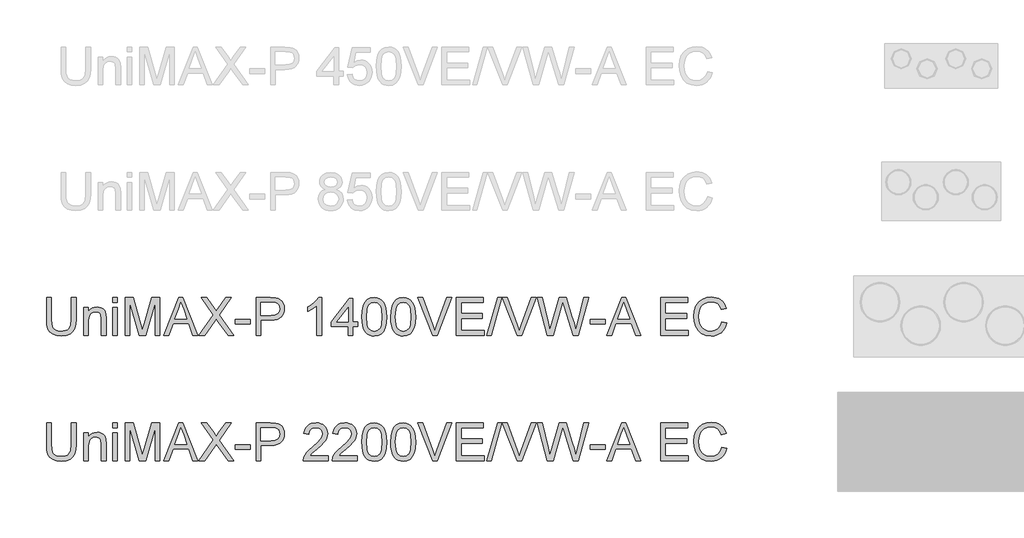
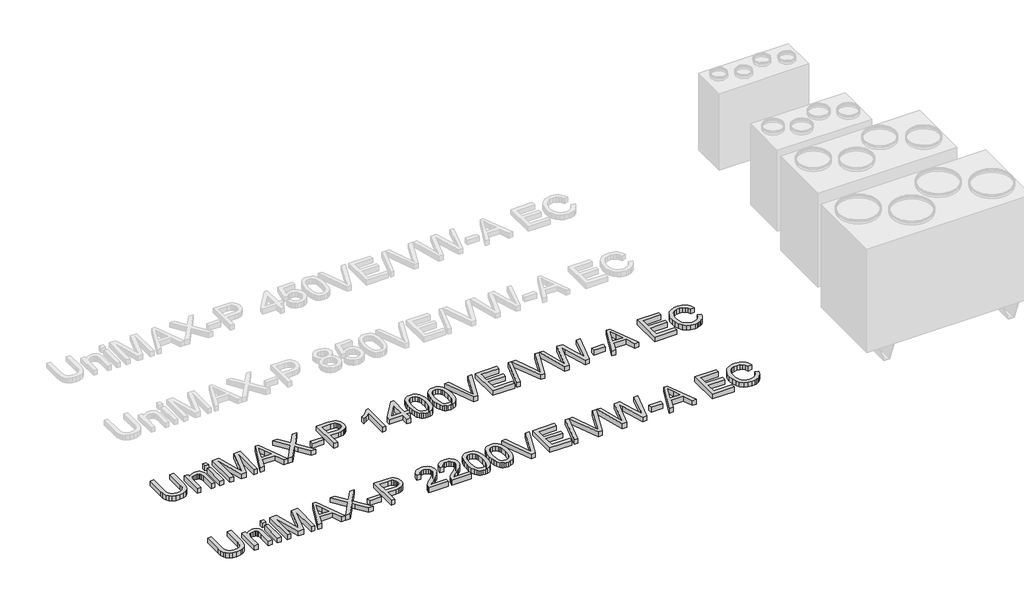
# One storey, part 2 of 74: 2 proxies.
"""IFC4 building model written with IfcOpenShell, lengths in millimetres."""

import ifcopenshell
import ifcopenshell.guid

model = None  # the IFC model being written
_history = None  # IfcOwnerHistory: only IFC2X3 demands one
_inside = {}  # id of a spatial element -> (the spatial element, [elements in it])
_under = {}  # id of a project, library or spatial element -> (it, [spatial elements below it])
_declared = {}  # id of a project -> (the project, [libraries it declares])
_typed = {}  # id of a type object -> (the type object, [elements of that type])
_made_of = {}  # id of a material, layer set ... -> (it, [elements and type objects made of it])


def new_model(schema):
    """Start an empty IFC model of exactly this schema.

    Asked for "IFC4X3", IfcOpenShell would pick the latest addendum, in which some entities
    have other attributes; the version numbers below select the first issue.
    IFC2X3 requires an IfcOwnerHistory on every rooted entity: one is made here for all.
    """
    global model, _history
    if schema == "IFC4X3":
        model = ifcopenshell.file(schema_version=(4, 3, 0, 0))
    else:
        model = ifcopenshell.file(schema=schema)
    _inside.clear()
    _under.clear()
    _declared.clear()
    _typed.clear()
    _made_of.clear()
    _history = None
    if model.schema == "IFC2X3":
        org = make("IfcOrganization", Name="unknown")
        user = make(
            "IfcPersonAndOrganization",
            ThePerson=make("IfcPerson", FamilyName="unknown"),
            TheOrganization=org,
        )
        app = make(
            "IfcApplication",
            ApplicationDeveloper=org,
            Version="unknown",
            ApplicationFullName="unknown",
            ApplicationIdentifier="unknown",
        )
        _history = make(
            "IfcOwnerHistory",
            OwningUser=user,
            OwningApplication=app,
            ChangeAction="ADDED",
            CreationDate=0,
        )
    return model


def make(cls, **values):
    """One entity of the class cls with the attributes given. An attribute that is None is left unset."""
    return model.create_entity(
        cls, **{name: value for name, value in values.items() if value is not None}
    )


def rooted(cls, **values):
    """An entity with a GlobalId (a new one), such as an element, a storey or a relation."""
    return make(cls, GlobalId=ifcopenshell.guid.new(), OwnerHistory=_history, **values)


def si_unit(unit_type, name, prefix=None):
    """IfcSIUnit, for example si_unit("LENGTHUNIT", "METRE", prefix="MILLI")."""
    return make("IfcSIUnit", UnitType=unit_type, Prefix=prefix, Name=name)


def assignment(units):
    """IfcUnitAssignment: the units of a project."""
    return None if units is None else make("IfcUnitAssignment", Units=units)


def point(xyz):
    """IfcCartesianPoint."""
    return None if xyz is None else make("IfcCartesianPoint", Coordinates=xyz)


def direction(xyz):
    """IfcDirection."""
    return None if xyz is None else make("IfcDirection", DirectionRatios=xyz)


def frame(location, z_axis=None, x_axis=None):
    """IfcAxis2Placement3D, a coordinate frame: its origin and axes. An axis left out is left unset."""
    return make(
        "IfcAxis2Placement3D",
        Location=point(location),
        Axis=direction(z_axis),
        RefDirection=direction(x_axis),
    )


def origin():
    """The frame at (0, 0, 0) with its axes left unset."""
    return frame((0.0, 0.0, 0.0))


def origin_with_axes():
    """The frame at (0, 0, 0) with the z axis (0, 0, 1) and the x axis (1, 0, 0) written out."""
    return frame((0.0, 0.0, 0.0), z_axis=(0.0, 0.0, 1.0), x_axis=(1.0, 0.0, 0.0))


def place(relative_to, where):
    """IfcLocalPlacement: puts the frame where relative to a parent placement (None: the world)."""
    return make(
        "IfcLocalPlacement", PlacementRelTo=relative_to, RelativePlacement=where
    )


def context(
    kind, dimensions, precision=None, world=None, true_north=None, identifier=None
):
    """IfcGeometricRepresentationContext, for example the 3D "Model" context."""
    return make(
        "IfcGeometricRepresentationContext",
        ContextIdentifier=identifier,
        ContextType=kind,
        CoordinateSpaceDimension=dimensions,
        Precision=precision,
        WorldCoordinateSystem=world,
        TrueNorth=true_north,
    )


def project(units=None, contexts=None):
    """IfcProject with its units and contexts."""
    return rooted(
        "IfcProject",
        Name="project",
        RepresentationContexts=contexts,
        UnitsInContext=assignment(units),
    )


def spatial(cls, under=None, at=None, **own):
    """A site, building, storey or space (cls), placed at a placement, below another one or the project."""
    s = rooted(cls, ObjectPlacement=at, **own)
    if under is not None:
        _under.setdefault(under.id(), (under, []))[1].append(s)
    return s


def polyline(points):
    """IfcPolyline through the points."""
    return make("IfcPolyline", Points=[point(p) for p in points])


def outline(outer, holes=None, kind="AREA"):
    """IfcArbitraryClosedProfileDef: a profile drawn as a closed curve; with holes, ...WithVoids."""
    if holes is None:
        return make("IfcArbitraryClosedProfileDef", ProfileType=kind, OuterCurve=outer)
    return make(
        "IfcArbitraryProfileDefWithVoids",
        ProfileType=kind,
        OuterCurve=outer,
        InnerCurves=holes,
    )


def extrude(swept, where, along, depth):
    """IfcExtrudedAreaSolid: the profile swept, set in the frame where, extruded along a direction by depth."""
    return make(
        "IfcExtrudedAreaSolid",
        SweptArea=swept,
        Position=where,
        ExtrudedDirection=direction(along),
        Depth=depth,
    )


def shape(context_of_items, identifier, shape_type, items):
    """IfcShapeRepresentation: the items that make up one representation, for example the "Body"."""
    return make(
        "IfcShapeRepresentation",
        ContextOfItems=context_of_items,
        RepresentationIdentifier=identifier,
        RepresentationType=shape_type,
        Items=items,
    )


def made_of(thing, what):
    """Note that an element or type object is made of a material, layer set ...; save() writes the relation."""
    if what is not None:
        _made_of.setdefault(what.id(), (what, []))[1].append(thing)
    return thing


def element(
    cls,
    number,
    at=None,
    inside=None,
    cuts=None,
    type_object=None,
    material=None,
    context=None,
    identifier="Body",
    shape_type=None,
    held_by="IfcProductDefinitionShape",
    body=None,
    shapes=None,
    **own,
):
    """One element of the class cls, such as IfcWall. Its Tag is "e" and its number.

    at: its placement. inside: the storey or other place that contains it. cuts: it is an
    opening in that element (IfcRelVoidsElement). A single representation is given by context,
    identifier, shape_type and body (its items); several are given by shapes. held_by: the class
    of the entity that holds the representations. save() writes the other relations.
    """
    e = rooted(cls, Tag="e%d" % number, ObjectPlacement=at, **own)
    if body is not None:
        shapes = [shape(context, identifier, shape_type, body)]
    if shapes is not None:
        e.Representation = make(held_by, Representations=shapes)
    if inside is not None:
        _inside.setdefault(inside.id(), (inside, []))[1].append(e)
    if cuts is not None:
        rooted(
            "IfcRelVoidsElement", RelatingBuildingElement=cuts, RelatedOpeningElement=e
        )
    if type_object is not None:
        _typed.setdefault(type_object.id(), (type_object, []))[1].append(e)
    return made_of(e, material)


def aggregate(whole, parts):
    """IfcRelAggregates: a whole, such as a stair, and the parts it consists of."""
    return rooted("IfcRelAggregates", RelatingObject=whole, RelatedObjects=parts)


def save(model, path):
    """Write the relations noted so far, then the file.

    IfcRelAggregates (storeys below a building ...), IfcRelContainedInSpatialStructure (elements
    in a storey), IfcRelDefinesByType, IfcRelAssociatesMaterial and IfcRelDeclares: one each for
    every whole, place, type object, material and project.
    """
    for whole, parts in _under.values():
        aggregate(whole, parts)
    for where, things in _inside.values():
        rooted(
            "IfcRelContainedInSpatialStructure",
            RelatedElements=things,
            RelatingStructure=where,
        )
    for kind, things in _typed.values():
        rooted("IfcRelDefinesByType", RelatedObjects=things, RelatingType=kind)
    for what, things in _made_of.values():
        rooted("IfcRelAssociatesMaterial", RelatedObjects=things, RelatingMaterial=what)
    for by, libraries in _declared.values():
        rooted("IfcRelDeclares", RelatingContext=by, RelatedDefinitions=libraries)
    model.write(path)


model = new_model("IFC4")

# Units and contexts
model_context = context("Model", 3, world=origin())
ifc_project = project(units=[si_unit("LENGTHUNIT", "METRE", prefix="MILLI")], contexts=[model_context])

# Site, building, storey
site = spatial("IfcSite", under=ifc_project)
building = spatial("IfcBuilding", under=site)
storey = spatial("IfcBuildingStorey", under=building, Elevation=0.0)

# Proxies
placement = place(None, origin())
element("IfcBuildingElementProxy", 1, Name="Generic Models", at=placement, inside=storey, context=model_context, shape_type="SweptSolid", body=[
    extrude(outline(polyline([(11540.524986, -37731.9528304), (11578.1961023, -37731.9528304), (11578.1961023, -37905.8138613), (11575.6393225, -37946.5292011), (11567.9689829, -37977.8819441), (11553.6399791, -38002.0701853), (11531.1072069, -38021.2920196), (11500.3154839, -38033.8459926), (11461.2096279, -38038.0306503), (11422.9590974, -38034.3886186), (11392.3789066, -38023.4625233), (11369.4598583, -38005.6294436), (11354.1927555, -37981.2664585), (11345.6119079, -37948.5893403), (11342.7516254, -37905.8138613), (11342.7516254, -37731.9528304), (11380.4227417, -37731.9528304), (11380.4227417, -37904.4894861), (11382.2805458, -37938.3438267), (11387.853958, -37961.9158655), (11397.9523188, -37978.2406291), (11413.3849685, -37990.3531438), (11433.5081136, -37997.8579365), (11457.6779607, -38000.359534), (11495.9928705, -37995.4115212), (11510.3356698, -37989.2265052), (11521.4686987, -37980.5674827), (11529.8058244, -37968.3905887), (11535.7609142, -37951.6519579), (11540.524986, -37904.4894861), (11540.524986, -37731.9528304)])), origin_with_axes(), (0.0, 0.0, 1.0), 50.0),
    extrude(outline(polyline([(11639.4116663, -38033.3217608), (11639.4116663, -37812.0039525), (11677.0827826, -37812.0039525), (11677.0827826, -37842.9060401), (11690.1701846, -37827.3262376), (11705.8879428, -37816.1978072), (11724.2360574, -37809.520749), (11745.2145281, -37807.295063), (11763.7833718, -37809.0884877), (11780.7887171, -37814.4687619), (11794.970568, -37822.7645009), (11805.0689287, -37833.30432), (11816.362906, -37861.0058343), (11818.3494688, -37897.4261518), (11818.3494688, -38033.3217608), (11780.6783525, -38033.3217608), (11780.6783525, -37902.5029233), (11776.3373449, -37869.1728146), (11770.3316713, -37859.2491977), (11760.9966657, -37851.551267), (11749.0313038, -37846.6124512), (11735.1345615, -37844.9661793), (11713.0708388, -37848.6633933), (11694.2628718, -37859.7550355), (11686.7465828, -37868.8095311), (11681.3778049, -37881.1841617), (11677.0827826, -37915.8938279), (11677.0827826, -38033.3217608), (11639.4116663, -38033.3217608)])), origin_with_axes(), (0.0, 0.0, 1.0), 50.0),
    extrude(outline(polyline([(11870.1472537, -38033.3217608), (11870.1472537, -37812.0039525), (11907.81837, -37812.0039525), (11907.81837, -38033.3217608), (11870.1472537, -38033.3217608)])), origin_with_axes(), (0.0, 0.0, 1.0), 50.0),
    extrude(outline(polyline([(11870.1472537, -37769.6239467), (11870.1472537, -37731.9528304), (11907.81837, -37731.9528304), (11907.81837, -37769.6239467), (11870.1472537, -37769.6239467)])), origin_with_axes(), (0.0, 0.0, 1.0), 50.0),
    extrude(outline(polyline([(11969.033934, -38033.3217608), (11969.033934, -37731.9528304), (12033.8547415, -37731.9528304), (12095.5117639, -37944.3678944), (12107.9461754, -37988.734463), (12121.4106564, -37940.6890744), (12182.0376092, -37731.9528304), (12246.8584168, -37731.9528304), (12246.8584168, -38033.3217608), (12209.1873004, -38033.3217608), (12209.1873004, -37769.6239467), (12133.4771858, -38033.3217608), (12082.4151649, -38033.3217608), (12006.7050503, -37769.6239467), (12006.7050503, -38033.3217608), (11969.033934, -38033.3217608)])), origin_with_axes(), (0.0, 0.0, 1.0), 50.0),
    extrude(outline(polyline([(12277.6869279, -38033.3217608), (12397.9843404, -37731.9528304), (12430.0636503, -37731.9528304), (12550.3610628, -38033.3217608), (12510.5562309, -38033.3217608), (12476.0488997, -37939.14397), (12351.9255146, -37939.14397), (12317.4917598, -38033.3217608), (12277.6869279, -38033.3217608)]), holes=[polyline([(12365.7578776, -37901.4728537), (12462.2901131, -37901.4728537), (12435.1404219, -37827.3814199), (12414.0239954, -37769.6239467), (12395.2620136, -37820.9066968), (12365.7578776, -37901.4728537)])]), origin_with_axes(), (0.0, 0.0, 1.0), 50.0),
    extrude(outline(polyline([(12557.6451263, -38033.3217608), (12673.8222604, -37869.0992382), (12576.4806844, -37731.9528304), (12621.6565934, -37731.9528304), (12676.4710107, -37809.1344729), (12694.9386869, -37839.2272201), (12716.5701482, -37808.6194381), (12770.7959543, -37731.9528304), (12816.6340509, -37731.9528304), (12719.292475, -37869.5406965), (12835.469609, -38033.3217608), (12790.2937, -38033.3217608), (12712.8913282, -37924.1343846), (12696.7780969, -37901.4728537), (12679.0461847, -37926.3416766), (12603.4832229, -38033.3217608), (12557.6451263, -38033.3217608)])), origin_with_axes(), (0.0, 0.0, 1.0), 50.0),
    extrude(outline(polyline([(12849.5962776, -37943.8528596), (12849.5962776, -37906.1817433), (12967.3185161, -37906.1817433), (12967.3185161, -37943.8528596), (12849.5962776, -37943.8528596)])), origin_with_axes(), (0.0, 0.0, 1.0), 50.0),
    extrude(outline(polyline([(13014.4074115, -38033.3217608), (13014.4074115, -37731.9528304), (13126.0963852, -37731.9528304), (13171.1251414, -37734.8223099), (13191.2023013, -37740.18419), (13207.7294, -37748.9121903), (13221.0375311, -37761.4017841), (13231.4577886, -37778.0484443), (13238.1900292, -37797.6841458), (13240.4341093, -37819.1408632), (13238.9188954, -37837.640729), (13234.3732535, -37854.6598698), (13226.7971836, -37870.1982856), (13216.1906858, -37884.2559764), (13201.6294566, -37895.9086386), (13182.1891924, -37904.2319687), (13157.8698933, -37909.2259668), (13128.6715592, -37910.8906328), (13052.0785278, -37910.8906328), (13052.0785278, -38033.3217608), (13014.4074115, -38033.3217608)]), holes=[polyline([(13052.0785278, -37873.2195165), (13130.8788512, -37873.2195165), (13164.2825363, -37869.7614257), (13186.355456, -37859.3871535), (13198.6611088, -37842.7404932), (13202.762993, -37820.4652384), (13200.3441689, -37803.5426666), (13193.0876965, -37789.2688452), (13181.8948868, -37778.5266909), (13167.6670507, -37772.1991206), (13129.9959344, -37769.6239467), (13052.0785278, -37769.6239467), (13052.0785278, -37873.2195165)])]), origin_with_axes(), (0.0, 0.0, 1.0), 50.0),
    extrude(outline(polyline([(13537.0941502, -38033.3217608), (13499.4230339, -38033.3217608), (13499.4230339, -37798.4658951), (13463.7384804, -37823.8865409), (13424.0808013, -37842.9060401), (13424.0808013, -37807.295063), (13453.6677108, -37791.2002257), (13479.2998888, -37772.0519678), (13499.5058074, -37751.6896994), (13512.8139386, -37731.9528304), (13537.0941502, -37731.9528304), (13537.0941502, -38033.3217608)])), origin_with_axes(), (0.0, 0.0, 1.0), 50.0),
    extrude(outline(polyline([(13748.9941795, -38033.3217608), (13748.9941795, -37962.6884177), (13612.4363828, -37962.6884177), (13612.4363828, -37925.0173014), (13758.4119585, -37736.6617199), (13786.6652958, -37736.6617199), (13786.6652958, -37925.0173014), (13824.3364121, -37925.0173014), (13824.3364121, -37962.6884177), (13786.6652958, -37962.6884177), (13786.6652958, -38033.3217608), (13748.9941795, -38033.3217608)]), holes=[polyline([(13748.9941795, -37925.0173014), (13748.9941795, -37808.6194381), (13658.7895142, -37925.0173014), (13748.9941795, -37925.0173014)])]), origin_with_axes(), (0.0, 0.0, 1.0), 50.0),
    extrude(outline(polyline([(13857.2986388, -37885.0653167), (13860.0669509, -37836.8267901), (13868.3718869, -37798.3555305), (13882.1306735, -37769.0629266), (13901.2605373, -37748.3603673), (13925.8994339, -37736.0547146), (13956.1853191, -37731.9528304), (13979.398673, -37734.3808515), (14000.1840058, -37741.664915), (14017.56643, -37753.5199123), (14030.5710586, -37769.6607349), (14040.3935078, -37789.9494269), (14048.2293943, -37814.2480327), (14053.3613482, -37845.104135), (14055.0719994, -37885.0653167), (14052.3312786, -37933.0279319), (14044.109116, -37971.407221), (14030.4331028, -38000.727416), (14011.3308302, -38021.5127488), (13986.6367513, -38033.9011749), (13956.1853191, -38038.0306503), (13935.4367746, -38036.2372256), (13917.0426749, -38030.8569514), (13901.0030199, -38021.8898278), (13887.3178096, -38009.3358547), (13874.1844224, -37986.6421341), (13864.8034315, -37958.3658043), (13859.174837, -37924.5068652), (13857.2986388, -37885.0653167)]), holes=[polyline([(13894.9697551, -37884.9917403), (13899.3843391, -37944.2483327), (13904.902569, -37964.5163314), (13912.6280909, -37978.5441317), (13932.3465659, -37994.9056835), (13956.1853191, -38000.359534), (13980.0240724, -37994.8872894), (13999.7425474, -37978.4705553), (14007.4680693, -37964.4197624), (14012.9862992, -37944.1563622), (14017.4008831, -37884.9917403), (14013.133452, -37827.0687202), (14007.7991631, -37806.8674001), (14000.3311586, -37792.5062068), (13980.6494718, -37775.3445117), (13955.7438607, -37769.6239467), (13932.1626249, -37774.66393), (13913.2167021, -37789.78388), (13905.2336628, -37805.4188648), (13899.5314919, -37826.4985031), (13894.9697551, -37884.9917403)])]), origin_with_axes(), (0.0, 0.0, 1.0), 50.0),
    extrude(outline(polyline([(14088.0342262, -37885.0653167), (14090.8025382, -37836.8267901), (14099.1074743, -37798.3555305), (14112.8662609, -37769.0629266), (14131.9961246, -37748.3603673), (14156.6350213, -37736.0547146), (14186.9209065, -37731.9528304), (14210.1342604, -37734.3808515), (14230.9195931, -37741.664915), (14248.3020174, -37753.5199123), (14261.3066459, -37769.6607349), (14271.1290952, -37789.9494269), (14278.9649817, -37814.2480327), (14284.0969355, -37845.104135), (14285.8075868, -37885.0653167), (14283.066866, -37933.0279319), (14274.8447034, -37971.407221), (14261.1686902, -38000.727416), (14242.0664176, -38021.5127488), (14217.3723387, -38033.9011749), (14186.9209065, -38038.0306503), (14166.172362, -38036.2372256), (14147.7782622, -38030.8569514), (14131.7386072, -38021.8898278), (14118.053397, -38009.3358547), (14104.9200098, -37986.6421341), (14095.5390189, -37958.3658043), (14089.9104244, -37924.5068652), (14088.0342262, -37885.0653167)]), holes=[polyline([(14125.7053425, -37884.9917403), (14130.1199265, -37944.2483327), (14135.6381564, -37964.5163314), (14143.3636783, -37978.5441317), (14163.0821532, -37994.9056835), (14186.9209065, -38000.359534), (14210.7596598, -37994.8872894), (14230.4781347, -37978.4705553), (14238.2036566, -37964.4197624), (14243.7218866, -37944.1563622), (14248.1364705, -37884.9917403), (14243.8690394, -37827.0687202), (14238.5347504, -37806.8674001), (14231.0667459, -37792.5062068), (14211.3850592, -37775.3445117), (14186.4794481, -37769.6239467), (14162.8982122, -37774.66393), (14143.9522895, -37789.78388), (14135.9692502, -37805.4188648), (14130.2670793, -37826.4985031), (14125.7053425, -37884.9917403)])]), origin_with_axes(), (0.0, 0.0, 1.0), 50.0),
    extrude(outline(polyline([(14421.923925, -38033.3217608), (14301.9943946, -37731.9528304), (14342.3142613, -37731.9528304), (14422.5861126, -37949.0767839), (14438.8464968, -37998.0050893), (14454.8861518, -37949.0767839), (14535.3787323, -37731.9528304), (14575.698599, -37731.9528304), (14460.8458401, -38033.3217608), (14421.923925, -38033.3217608)])), origin_with_axes(), (0.0, 0.0, 1.0), 50.0),
    extrude(outline(polyline([(14610.720965, -38033.3217608), (14610.720965, -37731.9528304), (14827.3298837, -37731.9528304), (14827.3298837, -37769.6239467), (14648.3920813, -37769.6239467), (14648.3920813, -37859.0928479), (14817.9121046, -37859.0928479), (14817.9121046, -37896.7639642), (14648.3920813, -37896.7639642), (14648.3920813, -37995.6506445), (14832.0387733, -37995.6506445), (14832.0387733, -38033.3217608), (14610.720965, -38033.3217608)])), origin_with_axes(), (0.0, 0.0, 1.0), 50.0),
    extrude(outline(polyline([(14855.5832209, -38033.3217608), (14940.3432326, -37731.9528304), (14974.335529, -37731.9528304), (14889.5755173, -38033.3217608), (14855.5832209, -38033.3217608)])), origin_with_axes(), (0.0, 0.0, 1.0), 50.0),
    extrude(outline(polyline([(15095.295129, -38033.3217608), (14975.3655986, -37731.9528304), (15015.6854652, -37731.9528304), (15095.9573166, -37949.0767839), (15112.2177008, -37998.0050893), (15128.2573558, -37949.0767839), (15208.7499363, -37731.9528304), (15249.069803, -37731.9528304), (15134.2170441, -38033.3217608), (15095.295129, -38033.3217608)])), origin_with_axes(), (0.0, 0.0, 1.0), 50.0),
    extrude(outline(polyline([(15338.0236694, -38033.3217608), (15255.8388317, -37731.9528304), (15294.6871704, -37731.9528304), (15342.364677, -37930.0204966), (15357.0799568, -37991.1624842), (15372.8253062, -37937.0838309), (15432.5693422, -37731.9528304), (15488.5609819, -37731.9528304), (15531.9710573, -37880.6507328), (15550.5674921, -37935.8330321), (15564.2710965, -37991.1624842), (15578.5449179, -37931.7863301), (15626.6638828, -37731.9528304), (15665.5122215, -37731.9528304), (15583.2538074, -38033.3217608), (15543.0075171, -38033.3217608), (15470.7554933, -37800.8203398), (15460.6755266, -37768.3731479), (15449.3447612, -37807.4422158), (15383.493884, -38033.3217608), (15338.0236694, -38033.3217608)])), origin_with_axes(), (0.0, 0.0, 1.0), 50.0),
    extrude(outline(polyline([(15679.6388901, -37943.8528596), (15679.6388901, -37906.1817433), (15797.3611286, -37906.1817433), (15797.3611286, -37943.8528596), (15679.6388901, -37943.8528596)])), origin_with_axes(), (0.0, 0.0, 1.0), 50.0),
    extrude(outline(polyline([(15809.3540816, -38033.3217608), (15929.6514941, -37731.9528304), (15961.730804, -37731.9528304), (16082.0282165, -38033.3217608), (16042.2233846, -38033.3217608), (16007.7160534, -37939.14397), (15883.5926683, -37939.14397), (15849.1589135, -38033.3217608), (15809.3540816, -38033.3217608)]), holes=[polyline([(15897.4250313, -37901.4728537), (15993.9572668, -37901.4728537), (15966.8075756, -37827.3814199), (15945.6911491, -37769.6239467), (15926.9291673, -37820.9066968), (15897.4250313, -37901.4728537)])]), origin_with_axes(), (0.0, 0.0, 1.0), 50.0),
    extrude(outline(polyline([(16239.9967452, -38033.3217608), (16239.9967452, -37731.9528304), (16456.605664, -37731.9528304), (16456.605664, -37769.6239467), (16277.6678615, -37769.6239467), (16277.6678615, -37859.0928479), (16447.1878849, -37859.0928479), (16447.1878849, -37896.7639642), (16277.6678615, -37896.7639642), (16277.6678615, -37995.6506445), (16461.3145535, -37995.6506445), (16461.3145535, -38033.3217608), (16239.9967452, -38033.3217608)])), origin_with_axes(), (0.0, 0.0, 1.0), 50.0),
    extrude(outline(polyline([(16729.7212572, -37926.1945238), (16767.3923735, -37935.9066085), (16759.9381646, -37959.3337938), (16750.0099492, -37979.8041276), (16737.6077274, -37997.3176098), (16722.7314993, -38011.8742405), (16705.716957, -38023.3176698), (16686.8997929, -38031.4915479), (16666.2800071, -38036.3958747), (16643.8575995, -38038.0306503), (16600.1624155, -38033.0826375), (16565.4619463, -38018.238599), (16538.8640781, -37994.0135696), (16519.4766969, -37960.9225842), (16507.6400937, -37922.0190632), (16503.6945593, -37880.3564272), (16508.1551285, -37836.4129229), (16521.5368361, -37798.4658951), (16543.1407063, -37767.7201573), (16572.2677632, -37745.3805232), (16606.8118826, -37731.7780864), (16644.6669399, -37727.2439408), (16685.9708909, -37733.1116586), (16703.9396271, -37740.4463059), (16720.1195371, -37750.7148121), (16734.2439065, -37763.6458642), (16746.0460207, -37778.9681493), (16762.6834839, -37816.7864184), (16725.0123676, -37825.7627391), (16711.9525568, -37798.2911511), (16694.11028, -37779.4463959), (16671.2648081, -37768.5478918), (16643.1954119, -37764.9150571), (16610.8401904, -37768.943365), (16584.2607163, -37781.0282885), (16564.0915859, -37799.9006349), (16550.9673957, -37824.2912111), (16543.7661057, -37851.8639667), (16541.3656756, -37880.2828508), (16544.2075641, -37915.0844876), (16552.7332293, -37945.1772348), (16567.2645681, -37969.4114612), (16588.1234772, -37986.6375356), (16613.1302559, -37996.9290344), (16640.1052032, -38000.359534), (16671.5499167, -37995.6874327), (16697.7523118, -37981.6711287), (16717.5351661, -37958.4577748), (16729.7212572, -37926.1945238)])), origin_with_axes(), (0.0, 0.0, 1.0), 50.0),
])
element("IfcBuildingElementProxy", 2, Name="Generic Models", at=placement, inside=storey, context=model_context, shape_type="SweptSolid", body=[
    extrude(outline(polyline([(11540.524986, -38731.9528304), (11578.1961023, -38731.9528304), (11578.1961023, -38905.8138613), (11575.6393225, -38946.5292011), (11567.9689829, -38977.8819441), (11553.6399791, -39002.0701853), (11531.1072069, -39021.2920196), (11500.3154839, -39033.8459926), (11461.2096279, -39038.0306503), (11422.9590974, -39034.3886186), (11392.3789066, -39023.4625233), (11369.4598583, -39005.6294436), (11354.1927555, -38981.2664585), (11345.6119079, -38948.5893403), (11342.7516254, -38905.8138613), (11342.7516254, -38731.9528304), (11380.4227417, -38731.9528304), (11380.4227417, -38904.4894861), (11382.2805458, -38938.3438267), (11387.853958, -38961.9158655), (11397.9523188, -38978.2406291), (11413.3849685, -38990.3531438), (11433.5081136, -38997.8579365), (11457.6779607, -39000.359534), (11495.9928705, -38995.4115212), (11510.3356698, -38989.2265052), (11521.4686987, -38980.5674827), (11529.8058244, -38968.3905887), (11535.7609142, -38951.6519579), (11540.524986, -38904.4894861), (11540.524986, -38731.9528304)])), origin_with_axes(), (0.0, 0.0, 1.0), 50.0),
    extrude(outline(polyline([(11639.4116663, -39033.3217608), (11639.4116663, -38812.0039525), (11677.0827826, -38812.0039525), (11677.0827826, -38842.9060401), (11690.1701846, -38827.3262376), (11705.8879428, -38816.1978072), (11724.2360574, -38809.520749), (11745.2145281, -38807.295063), (11763.7833718, -38809.0884877), (11780.7887171, -38814.4687619), (11794.970568, -38822.7645009), (11805.0689287, -38833.30432), (11816.362906, -38861.0058343), (11818.3494688, -38897.4261518), (11818.3494688, -39033.3217608), (11780.6783525, -39033.3217608), (11780.6783525, -38902.5029233), (11776.3373449, -38869.1728146), (11770.3316713, -38859.2491977), (11760.9966657, -38851.551267), (11749.0313038, -38846.6124512), (11735.1345615, -38844.9661793), (11713.0708388, -38848.6633933), (11694.2628718, -38859.7550355), (11686.7465828, -38868.8095311), (11681.3778049, -38881.1841617), (11677.0827826, -38915.8938279), (11677.0827826, -39033.3217608), (11639.4116663, -39033.3217608)])), origin_with_axes(), (0.0, 0.0, 1.0), 50.0),
    extrude(outline(polyline([(11870.1472537, -39033.3217608), (11870.1472537, -38812.0039525), (11907.81837, -38812.0039525), (11907.81837, -39033.3217608), (11870.1472537, -39033.3217608)])), origin_with_axes(), (0.0, 0.0, 1.0), 50.0),
    extrude(outline(polyline([(11870.1472537, -38769.6239467), (11870.1472537, -38731.9528304), (11907.81837, -38731.9528304), (11907.81837, -38769.6239467), (11870.1472537, -38769.6239467)])), origin_with_axes(), (0.0, 0.0, 1.0), 50.0),
    extrude(outline(polyline([(11969.033934, -39033.3217608), (11969.033934, -38731.9528304), (12033.8547415, -38731.9528304), (12095.5117639, -38944.3678944), (12107.9461754, -38988.734463), (12121.4106564, -38940.6890744), (12182.0376092, -38731.9528304), (12246.8584168, -38731.9528304), (12246.8584168, -39033.3217608), (12209.1873004, -39033.3217608), (12209.1873004, -38769.6239467), (12133.4771858, -39033.3217608), (12082.4151649, -39033.3217608), (12006.7050503, -38769.6239467), (12006.7050503, -39033.3217608), (11969.033934, -39033.3217608)])), origin_with_axes(), (0.0, 0.0, 1.0), 50.0),
    extrude(outline(polyline([(12277.6869279, -39033.3217608), (12397.9843404, -38731.9528304), (12430.0636503, -38731.9528304), (12550.3610628, -39033.3217608), (12510.5562309, -39033.3217608), (12476.0488997, -38939.14397), (12351.9255146, -38939.14397), (12317.4917598, -39033.3217608), (12277.6869279, -39033.3217608)]), holes=[polyline([(12365.7578776, -38901.4728537), (12462.2901131, -38901.4728537), (12435.1404219, -38827.3814199), (12414.0239954, -38769.6239467), (12395.2620136, -38820.9066968), (12365.7578776, -38901.4728537)])]), origin_with_axes(), (0.0, 0.0, 1.0), 50.0),
    extrude(outline(polyline([(12557.6451263, -39033.3217608), (12673.8222604, -38869.0992382), (12576.4806844, -38731.9528304), (12621.6565934, -38731.9528304), (12676.4710107, -38809.1344729), (12694.9386869, -38839.2272201), (12716.5701482, -38808.6194381), (12770.7959543, -38731.9528304), (12816.6340509, -38731.9528304), (12719.292475, -38869.5406965), (12835.469609, -39033.3217608), (12790.2937, -39033.3217608), (12712.8913282, -38924.1343846), (12696.7780969, -38901.4728537), (12679.0461847, -38926.3416766), (12603.4832229, -39033.3217608), (12557.6451263, -39033.3217608)])), origin_with_axes(), (0.0, 0.0, 1.0), 50.0),
    extrude(outline(polyline([(12849.5962776, -38943.8528596), (12849.5962776, -38906.1817433), (12967.3185161, -38906.1817433), (12967.3185161, -38943.8528596), (12849.5962776, -38943.8528596)])), origin_with_axes(), (0.0, 0.0, 1.0), 50.0),
    extrude(outline(polyline([(13014.4074115, -39033.3217608), (13014.4074115, -38731.9528304), (13126.0963852, -38731.9528304), (13171.1251414, -38734.8223099), (13191.2023013, -38740.18419), (13207.7294, -38748.9121903), (13221.0375311, -38761.4017841), (13231.4577886, -38778.0484443), (13238.1900292, -38797.6841458), (13240.4341093, -38819.1408632), (13238.9188954, -38837.640729), (13234.3732535, -38854.6598698), (13226.7971836, -38870.1982856), (13216.1906858, -38884.2559764), (13201.6294566, -38895.9086386), (13182.1891924, -38904.2319687), (13157.8698933, -38909.2259668), (13128.6715592, -38910.8906328), (13052.0785278, -38910.8906328), (13052.0785278, -39033.3217608), (13014.4074115, -39033.3217608)]), holes=[polyline([(13052.0785278, -38873.2195165), (13130.8788512, -38873.2195165), (13164.2825363, -38869.7614257), (13186.355456, -38859.3871535), (13198.6611088, -38842.7404932), (13202.762993, -38820.4652384), (13200.3441689, -38803.5426666), (13193.0876965, -38789.2688452), (13181.8948868, -38778.5266909), (13167.6670507, -38772.1991206), (13129.9959344, -38769.6239467), (13052.0785278, -38769.6239467), (13052.0785278, -38873.2195165)])]), origin_with_axes(), (0.0, 0.0, 1.0), 50.0),
    extrude(outline(polyline([(13588.8919352, -38995.6506445), (13588.8919352, -39033.3217608), (13391.1185745, -39033.3217608), (13395.1652765, -39007.3492919), (13404.4542969, -38987.0514029), (13418.0475366, -38967.3605191), (13437.7108292, -38946.7499303), (13465.2100084, -38923.6929262), (13505.8609688, -38887.5853084), (13530.2515451, -38860.9322579), (13542.4468333, -38839.3007965), (13546.5119293, -38818.2579464), (13542.6767595, -38799.3947971), (13531.1712501, -38783.7138271), (13513.4853232, -38773.1464168), (13491.1089008, -38769.6239467), (13467.6104384, -38773.0636433), (13449.3542944, -38783.3827333), (13437.5728735, -38799.7718762), (13433.4985804, -38821.4217316), (13395.8274641, -38816.712842), (13404.9601346, -38780.2741304), (13413.5064932, -38765.7381931), (13424.7062007, -38753.6578681), (13438.3017397, -38744.1619141), (13454.0355928, -38737.3790898), (13491.9182412, -38731.9528304), (13512.108065, -38733.4611465), (13530.0768012, -38737.9860951), (13545.8244498, -38745.527676), (13559.3510109, -38756.0858892), (13570.2150261, -38768.8789856), (13577.9750369, -38783.1252159), (13582.6310435, -38798.82458), (13584.1830456, -38815.9770781), (13582.5091825, -38833.9940988), (13577.4875933, -38851.6984198), (13568.575652, -38869.7062434), (13555.2307326, -38888.6337721), (13533.9579562, -38911.2309237), (13501.2624439, -38940.247616), (13457.9259449, -38976.4839925), (13440.9297967, -38995.6506445), (13588.8919352, -38995.6506445)])), origin_with_axes(), (0.0, 0.0, 1.0), 50.0),
    extrude(outline(polyline([(13819.6275225, -38995.6506445), (13819.6275225, -39033.3217608), (13621.8541619, -39033.3217608), (13625.9008639, -39007.3492919), (13635.1898842, -38987.0514029), (13648.783124, -38967.3605191), (13668.4464166, -38946.7499303), (13695.9455958, -38923.6929262), (13736.5965562, -38887.5853084), (13760.9871325, -38860.9322579), (13773.1824206, -38839.3007965), (13777.2475167, -38818.2579464), (13773.4123469, -38799.3947971), (13761.9068375, -38783.7138271), (13744.2209106, -38773.1464168), (13721.8444882, -38769.6239467), (13698.3460258, -38773.0636433), (13680.0898818, -38783.3827333), (13668.3084609, -38799.7718762), (13664.2341678, -38821.4217316), (13626.5630515, -38816.712842), (13635.695722, -38780.2741304), (13644.2420806, -38765.7381931), (13655.4417881, -38753.6578681), (13669.0373271, -38744.1619141), (13684.7711801, -38737.3790898), (13722.6538286, -38731.9528304), (13742.8436524, -38733.4611465), (13760.8123886, -38737.9860951), (13776.5600372, -38745.527676), (13790.0865983, -38756.0858892), (13800.9506135, -38768.8789856), (13808.7106243, -38783.1252159), (13813.3666308, -38798.82458), (13814.918633, -38815.9770781), (13813.2447699, -38833.9940988), (13808.2231807, -38851.6984198), (13799.3112393, -38869.7062434), (13785.96632, -38888.6337721), (13764.6935436, -38911.2309237), (13731.9980313, -38940.247616), (13688.6615322, -38976.4839925), (13671.6653841, -38995.6506445), (13819.6275225, -38995.6506445)])), origin_with_axes(), (0.0, 0.0, 1.0), 50.0),
    extrude(outline(polyline([(13857.2986388, -38885.0653167), (13860.0669509, -38836.8267901), (13868.3718869, -38798.3555305), (13882.1306735, -38769.0629266), (13901.2605373, -38748.3603673), (13925.8994339, -38736.0547146), (13956.1853191, -38731.9528304), (13979.398673, -38734.3808515), (14000.1840058, -38741.664915), (14017.56643, -38753.5199123), (14030.5710586, -38769.6607349), (14040.3935078, -38789.9494269), (14048.2293943, -38814.2480327), (14053.3613482, -38845.104135), (14055.0719994, -38885.0653167), (14052.3312786, -38933.0279319), (14044.109116, -38971.407221), (14030.4331028, -39000.727416), (14011.3308302, -39021.5127488), (13986.6367513, -39033.9011749), (13956.1853191, -39038.0306503), (13935.4367746, -39036.2372256), (13917.0426749, -39030.8569514), (13901.0030199, -39021.8898278), (13887.3178096, -39009.3358547), (13874.1844224, -38986.6421341), (13864.8034315, -38958.3658043), (13859.174837, -38924.5068652), (13857.2986388, -38885.0653167)]), holes=[polyline([(13894.9697551, -38884.9917403), (13899.3843391, -38944.2483327), (13904.902569, -38964.5163314), (13912.6280909, -38978.5441317), (13932.3465659, -38994.9056835), (13956.1853191, -39000.359534), (13980.0240724, -38994.8872894), (13999.7425474, -38978.4705553), (14007.4680693, -38964.4197624), (14012.9862992, -38944.1563622), (14017.4008831, -38884.9917403), (14013.133452, -38827.0687202), (14007.7991631, -38806.8674001), (14000.3311586, -38792.5062068), (13980.6494718, -38775.3445117), (13955.7438607, -38769.6239467), (13932.1626249, -38774.66393), (13913.2167021, -38789.78388), (13905.2336628, -38805.4188648), (13899.5314919, -38826.4985031), (13894.9697551, -38884.9917403)])]), origin_with_axes(), (0.0, 0.0, 1.0), 50.0),
    extrude(outline(polyline([(14088.0342262, -38885.0653167), (14090.8025382, -38836.8267901), (14099.1074743, -38798.3555305), (14112.8662609, -38769.0629266), (14131.9961246, -38748.3603673), (14156.6350213, -38736.0547146), (14186.9209065, -38731.9528304), (14210.1342604, -38734.3808515), (14230.9195931, -38741.664915), (14248.3020174, -38753.5199123), (14261.3066459, -38769.6607349), (14271.1290952, -38789.9494269), (14278.9649817, -38814.2480327), (14284.0969355, -38845.104135), (14285.8075868, -38885.0653167), (14283.066866, -38933.0279319), (14274.8447034, -38971.407221), (14261.1686902, -39000.727416), (14242.0664176, -39021.5127488), (14217.3723387, -39033.9011749), (14186.9209065, -39038.0306503), (14166.172362, -39036.2372256), (14147.7782622, -39030.8569514), (14131.7386072, -39021.8898278), (14118.053397, -39009.3358547), (14104.9200098, -38986.6421341), (14095.5390189, -38958.3658043), (14089.9104244, -38924.5068652), (14088.0342262, -38885.0653167)]), holes=[polyline([(14125.7053425, -38884.9917403), (14130.1199265, -38944.2483327), (14135.6381564, -38964.5163314), (14143.3636783, -38978.5441317), (14163.0821532, -38994.9056835), (14186.9209065, -39000.359534), (14210.7596598, -38994.8872894), (14230.4781347, -38978.4705553), (14238.2036566, -38964.4197624), (14243.7218866, -38944.1563622), (14248.1364705, -38884.9917403), (14243.8690394, -38827.0687202), (14238.5347504, -38806.8674001), (14231.0667459, -38792.5062068), (14211.3850592, -38775.3445117), (14186.4794481, -38769.6239467), (14162.8982122, -38774.66393), (14143.9522895, -38789.78388), (14135.9692502, -38805.4188648), (14130.2670793, -38826.4985031), (14125.7053425, -38884.9917403)])]), origin_with_axes(), (0.0, 0.0, 1.0), 50.0),
    extrude(outline(polyline([(14421.923925, -39033.3217608), (14301.9943946, -38731.9528304), (14342.3142613, -38731.9528304), (14422.5861126, -38949.0767839), (14438.8464968, -38998.0050893), (14454.8861518, -38949.0767839), (14535.3787323, -38731.9528304), (14575.698599, -38731.9528304), (14460.8458401, -39033.3217608), (14421.923925, -39033.3217608)])), origin_with_axes(), (0.0, 0.0, 1.0), 50.0),
    extrude(outline(polyline([(14610.720965, -39033.3217608), (14610.720965, -38731.9528304), (14827.3298837, -38731.9528304), (14827.3298837, -38769.6239467), (14648.3920813, -38769.6239467), (14648.3920813, -38859.0928479), (14817.9121046, -38859.0928479), (14817.9121046, -38896.7639642), (14648.3920813, -38896.7639642), (14648.3920813, -38995.6506445), (14832.0387733, -38995.6506445), (14832.0387733, -39033.3217608), (14610.720965, -39033.3217608)])), origin_with_axes(), (0.0, 0.0, 1.0), 50.0),
    extrude(outline(polyline([(14855.5832209, -39033.3217608), (14940.3432326, -38731.9528304), (14974.335529, -38731.9528304), (14889.5755173, -39033.3217608), (14855.5832209, -39033.3217608)])), origin_with_axes(), (0.0, 0.0, 1.0), 50.0),
    extrude(outline(polyline([(15095.295129, -39033.3217608), (14975.3655986, -38731.9528304), (15015.6854652, -38731.9528304), (15095.9573166, -38949.0767839), (15112.2177008, -38998.0050893), (15128.2573558, -38949.0767839), (15208.7499363, -38731.9528304), (15249.069803, -38731.9528304), (15134.2170441, -39033.3217608), (15095.295129, -39033.3217608)])), origin_with_axes(), (0.0, 0.0, 1.0), 50.0),
    extrude(outline(polyline([(15338.0236694, -39033.3217608), (15255.8388317, -38731.9528304), (15294.6871704, -38731.9528304), (15342.364677, -38930.0204966), (15357.0799568, -38991.1624842), (15372.8253062, -38937.0838309), (15432.5693422, -38731.9528304), (15488.5609819, -38731.9528304), (15531.9710573, -38880.6507328), (15550.5674921, -38935.8330321), (15564.2710965, -38991.1624842), (15578.5449179, -38931.7863301), (15626.6638828, -38731.9528304), (15665.5122215, -38731.9528304), (15583.2538074, -39033.3217608), (15543.0075171, -39033.3217608), (15470.7554933, -38800.8203398), (15460.6755266, -38768.3731479), (15449.3447612, -38807.4422158), (15383.493884, -39033.3217608), (15338.0236694, -39033.3217608)])), origin_with_axes(), (0.0, 0.0, 1.0), 50.0),
    extrude(outline(polyline([(15679.6388901, -38943.8528596), (15679.6388901, -38906.1817433), (15797.3611286, -38906.1817433), (15797.3611286, -38943.8528596), (15679.6388901, -38943.8528596)])), origin_with_axes(), (0.0, 0.0, 1.0), 50.0),
    extrude(outline(polyline([(15809.3540816, -39033.3217608), (15929.6514941, -38731.9528304), (15961.730804, -38731.9528304), (16082.0282165, -39033.3217608), (16042.2233846, -39033.3217608), (16007.7160534, -38939.14397), (15883.5926683, -38939.14397), (15849.1589135, -39033.3217608), (15809.3540816, -39033.3217608)]), holes=[polyline([(15897.4250313, -38901.4728537), (15993.9572668, -38901.4728537), (15966.8075756, -38827.3814199), (15945.6911491, -38769.6239467), (15926.9291673, -38820.9066968), (15897.4250313, -38901.4728537)])]), origin_with_axes(), (0.0, 0.0, 1.0), 50.0),
    extrude(outline(polyline([(16239.9967452, -39033.3217608), (16239.9967452, -38731.9528304), (16456.605664, -38731.9528304), (16456.605664, -38769.6239467), (16277.6678615, -38769.6239467), (16277.6678615, -38859.0928479), (16447.1878849, -38859.0928479), (16447.1878849, -38896.7639642), (16277.6678615, -38896.7639642), (16277.6678615, -38995.6506445), (16461.3145535, -38995.6506445), (16461.3145535, -39033.3217608), (16239.9967452, -39033.3217608)])), origin_with_axes(), (0.0, 0.0, 1.0), 50.0),
    extrude(outline(polyline([(16729.7212572, -38926.1945238), (16767.3923735, -38935.9066085), (16759.9381646, -38959.3337938), (16750.0099492, -38979.8041276), (16737.6077274, -38997.3176098), (16722.7314993, -39011.8742405), (16705.716957, -39023.3176698), (16686.8997929, -39031.4915479), (16666.2800071, -39036.3958747), (16643.8575995, -39038.0306503), (16600.1624155, -39033.0826375), (16565.4619463, -39018.238599), (16538.8640781, -38994.0135696), (16519.4766969, -38960.9225842), (16507.6400937, -38922.0190632), (16503.6945593, -38880.3564272), (16508.1551285, -38836.4129229), (16521.5368361, -38798.4658951), (16543.1407063, -38767.7201573), (16572.2677632, -38745.3805232), (16606.8118826, -38731.7780864), (16644.6669399, -38727.2439408), (16685.9708909, -38733.1116586), (16703.9396271, -38740.4463059), (16720.1195371, -38750.7148121), (16734.2439065, -38763.6458642), (16746.0460207, -38778.9681493), (16762.6834839, -38816.7864184), (16725.0123676, -38825.7627391), (16711.9525568, -38798.2911511), (16694.11028, -38779.4463959), (16671.2648081, -38768.5478918), (16643.1954119, -38764.9150571), (16610.8401904, -38768.943365), (16584.2607163, -38781.0282885), (16564.0915859, -38799.9006349), (16550.9673957, -38824.2912111), (16543.7661057, -38851.8639667), (16541.3656756, -38880.2828508), (16544.2075641, -38915.0844876), (16552.7332293, -38945.1772348), (16567.2645681, -38969.4114612), (16588.1234772, -38986.6375356), (16613.1302559, -38996.9290344), (16640.1052032, -39000.359534), (16671.5499167, -38995.6874327), (16697.7523118, -38981.6711287), (16717.5351661, -38958.4577748), (16729.7212572, -38926.1945238)])), origin_with_axes(), (0.0, 0.0, 1.0), 50.0),
])

save(model, "model.ifc")
